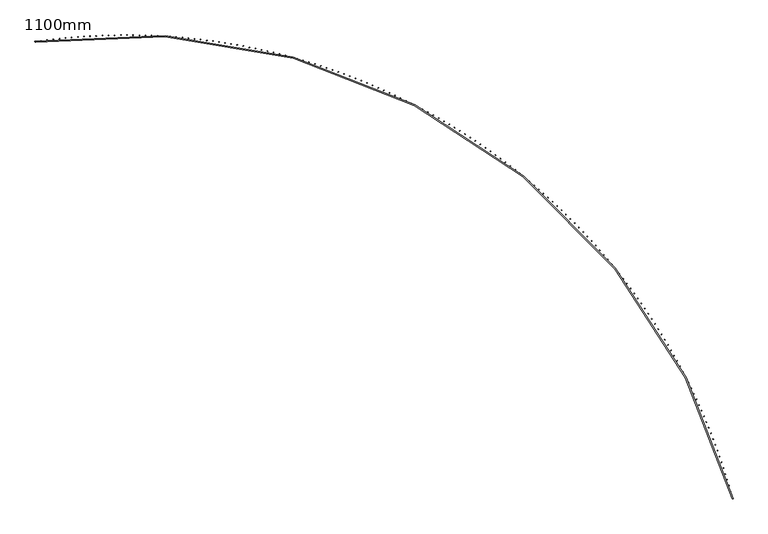
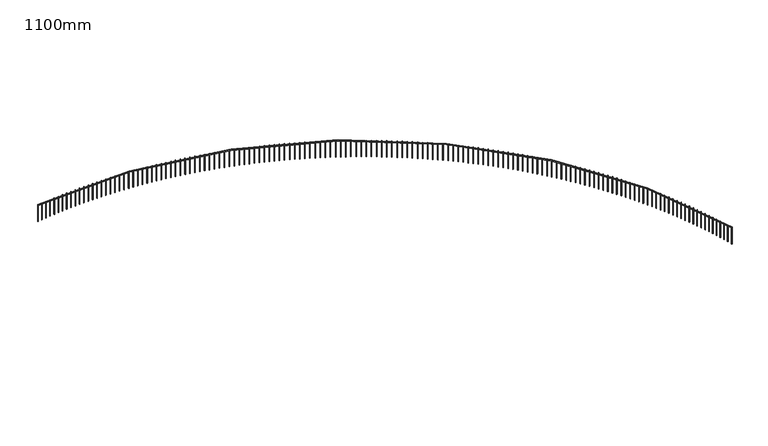
"""IFC4 building model written with IfcOpenShell, lengths in millimetres: railing geometry, 1100mm."""

from ifc_helpers import new_model, si_unit, point, frame, frame_2d, origin, place, context, project, spatial, polyline, circle_curve, trimmed, segment, composite_curve, outline, extrude, source, transform, mapped, element, save


def railing_1100mm_aeec63ec(model_context):
    return source(origin(), model_context, "Body", "SweptSolid", [
        extrude(outline(composite_curve([segment(trimmed(circle_curve(frame_2d((-8794.2031957, -54023.2815566)), 28027.8933111), [point((18263.3200525, -46712.1093436))], [point((-12873.1716323, -26293.787873))], True, "CARTESIAN"), True, "CONTINUOUS"), segment(polyline([(-12873.1716323, -26293.787873), (-12880.4482557, -26244.3201992)]), True, "CONTINUOUS"), segment(trimmed(circle_curve(frame_2d((-8794.2031957, -54023.2815566)), 28077.8933111), [point((-12880.4482557, -26244.3201992))], [point((18311.5889733, -46699.0666719))], False, "CARTESIAN"), True, "CONTINUOUS"), segment(polyline([(18311.5889733, -46699.0666719), (18263.3200525, -46712.1093436)]), True, "CONTINUOUS")], self_intersect=False)), frame((0.0, 0.0, 32050.0), z_axis=(0.0, 0.0, 1.0), x_axis=(1.0, 0.0, 0.0)), (0.0, 0.0, 1.0), 50.0),
        extrude(outline(polyline([(18256.6030696, -46639.6717561), (18280.7237123, -46633.0994967), (18287.2959717, -46657.2201395), (18263.1753289, -46663.7923988), (18256.6030696, -46639.6717561)])), frame((0.0, 0.0, 31000.0), z_axis=(0.0, 0.0, 1.0), x_axis=(1.0, 0.0, 0.0)), (0.0, 0.0, 1.0), 1050.0),
        extrude(outline(polyline([(18182.9236225, -46374.8541414), (18206.97868, -46368.0457491), (18213.7870723, -46392.1008067), (18189.7320147, -46398.909199), (18182.9236225, -46374.8541414)])), frame((0.0, 0.0, 31000.0), z_axis=(0.0, 0.0, 1.0), x_axis=(1.0, 0.0, 0.0)), (0.0, 0.0, 1.0), 1050.0),
        extrude(outline(polyline([(18106.6517737, -46110.7715122), (18130.6389345, -46103.7276413), (18137.6828054, -46127.7148021), (18113.6956447, -46134.758673), (18106.6517737, -46110.7715122)])), frame((0.0, 0.0, 31000.0), z_axis=(0.0, 0.0, 1.0), x_axis=(1.0, 0.0, 0.0)), (0.0, 0.0, 1.0), 1050.0),
        extrude(outline(polyline([(18027.7948528, -45847.4492458), (18051.7118117, -45840.1705731), (18058.9904844, -45864.087532), (18035.0735255, -45871.3662047), (18027.7948528, -45847.4492458)])), frame((0.0, 0.0, 31000.0), z_axis=(0.0, 0.0, 1.0), x_axis=(1.0, 0.0, 0.0)), (0.0, 0.0, 1.0), 1050.0),
        extrude(outline(polyline([(17946.3604376, -45584.9126465), (17970.2048963, -45577.3998715), (17977.7176713, -45601.2443302), (17953.8732126, -45608.7571052), (17946.3604376, -45584.9126465)])), frame((0.0, 0.0, 31000.0), z_axis=(0.0, 0.0, 1.0), x_axis=(1.0, 0.0, 0.0)), (0.0, 0.0, 1.0), 1050.0),
        extrude(outline(polyline([(17862.3563536, -45323.1869431), (17886.1260207, -45315.4407877), (17893.8721762, -45339.2104549), (17870.102509, -45346.9566103), (17862.3563536, -45323.1869431)])), frame((0.0, 0.0, 31000.0), z_axis=(0.0, 0.0, 1.0), x_axis=(1.0, 0.0, 0.0)), (0.0, 0.0, 1.0), 1050.0),
        extrude(outline(polyline([(17775.7906733, -45062.2972865), (17799.4832647, -45054.3184951), (17807.4620561, -45078.0110865), (17783.7694647, -45085.9898779), (17775.7906733, -45062.2972865)])), frame((0.0, 0.0, 31000.0), z_axis=(0.0, 0.0, 1.0), x_axis=(1.0, 0.0, 0.0)), (0.0, 0.0, 1.0), 1050.0),
        extrude(outline(polyline([(17686.6717154, -44802.2687471), (17710.2849543, -44794.0580864), (17718.4956149, -44817.6713253), (17694.882376, -44825.881986), (17686.6717154, -44802.2687471)])), frame((0.0, 0.0, 31000.0), z_axis=(0.0, 0.0, 1.0), x_axis=(1.0, 0.0, 0.0)), (0.0, 0.0, 1.0), 1050.0),
        extrude(outline(polyline([(17595.0080438, -44543.1263128), (17618.539661, -44534.6845719), (17626.9814019, -44558.2161891), (17603.4497847, -44566.65793), (17595.0080438, -44543.1263128)])), frame((0.0, 0.0, 31000.0), z_axis=(0.0, 0.0, 1.0), x_axis=(1.0, 0.0, 0.0)), (0.0, 0.0, 1.0), 1050.0),
        extrude(outline(polyline([(17500.8084671, -44284.8948862), (17524.2562014, -44276.2228762), (17532.9282113, -44299.6706105), (17509.480477, -44308.3426205), (17500.8084671, -44284.8948862)])), frame((0.0, 0.0, 31000.0), z_axis=(0.0, 0.0, 1.0), x_axis=(1.0, 0.0, 0.0)), (0.0, 0.0, 1.0), 1050.0),
        extrude(outline(polyline([(17404.0820375, -44027.5992823), (17427.4436356, -44018.6978367), (17436.3450812, -44042.0594347), (17412.9834831, -44050.9608804), (17404.0820375, -44027.5992823)])), frame((0.0, 0.0, 31000.0), z_axis=(0.0, 0.0, 1.0), x_axis=(1.0, 0.0, 0.0)), (0.0, 0.0, 1.0), 1050.0),
        extrude(outline(polyline([(17304.8380501, -43771.2642263), (17328.111267, -43762.1342004), (17337.2412929, -43785.4074173), (17313.968076, -43794.5374433), (17304.8380501, -43771.2642263)])), frame((0.0, 0.0, 31000.0), z_axis=(0.0, 0.0, 1.0), x_axis=(1.0, 0.0, 0.0)), (0.0, 0.0, 1.0), 1050.0),
        extrude(outline(polyline([(17203.0860418, -43515.9143511), (17226.2686411, -43506.5566223), (17235.62637, -43529.7392216), (17212.4437706, -43539.0969505), (17203.0860418, -43515.9143511)])), frame((0.0, 0.0, 31000.0), z_axis=(0.0, 0.0, 1.0), x_axis=(1.0, 0.0, 0.0)), (0.0, 0.0, 1.0), 1050.0),
        extrude(outline(polyline([(17098.8357907, -43261.5741949), (17121.9255446, -43251.9896623), (17131.5100771, -43275.0794163), (17108.4203232, -43284.6639488), (17098.8357907, -43261.5741949)])), frame((0.0, 0.0, 31000.0), z_axis=(0.0, 0.0, 1.0), x_axis=(1.0, 0.0, 0.0)), (0.0, 0.0, 1.0), 1050.0),
        extrude(outline(polyline([(16992.0973147, -43008.2681987), (17015.0920044, -42998.4577835), (17024.9024196, -43021.4524732), (17001.9077299, -43031.2628884), (16992.0973147, -43008.2681987)])), frame((0.0, 0.0, 31000.0), z_axis=(0.0, 0.0, 1.0), x_axis=(1.0, 0.0, 0.0)), (0.0, 0.0, 1.0), 1050.0),
        extrude(outline(polyline([(16882.8808711, -42756.0207043), (16905.7782869, -42745.9853493), (16915.813642, -42768.882765), (16892.9162262, -42778.9181201), (16882.8808711, -42756.0207043)])), frame((0.0, 0.0, 31000.0), z_axis=(0.0, 0.0, 1.0), x_axis=(1.0, 0.0, 0.0)), (0.0, 0.0, 1.0), 1050.0),
        extrude(outline(polyline([(16771.1969552, -42504.8559519), (16793.9948967, -42494.5966213), (16804.2542273, -42517.3945627), (16781.4562858, -42527.6538934), (16771.1969552, -42504.8559519)])), frame((0.0, 0.0, 31000.0), z_axis=(0.0, 0.0, 1.0), x_axis=(1.0, 0.0, 0.0)), (0.0, 0.0, 1.0), 1050.0),
        extrude(outline(polyline([(16657.0562994, -42254.7980773), (16679.7525758, -42244.315757), (16690.234896, -42267.0120334), (16667.5386197, -42277.4943537), (16657.0562994, -42254.7980773)])), frame((0.0, 0.0, 31000.0), z_axis=(0.0, 0.0, 1.0), x_axis=(1.0, 0.0, 0.0)), (0.0, 0.0, 1.0), 1050.0),
        extrude(outline(polyline([(16540.4698721, -42005.8711103), (16563.0623024, -41995.1668076), (16573.766605, -42017.7592379), (16551.1741747, -42028.4635405), (16540.4698721, -42005.8711103)])), frame((0.0, 0.0, 31000.0), z_axis=(0.0, 0.0, 1.0), x_axis=(1.0, 0.0, 0.0)), (0.0, 0.0, 1.0), 1050.0),
        extrude(outline(polyline([(16421.4488769, -41758.0989717), (16443.93529, -41747.1737154), (16454.8605463, -41769.6601285), (16432.3741332, -41780.5853848), (16421.4488769, -41758.0989717)])), frame((0.0, 0.0, 31000.0), z_axis=(0.0, 0.0, 1.0), x_axis=(1.0, 0.0, 0.0)), (0.0, 0.0, 1.0), 1050.0),
        extrude(outline(polyline([(16300.0047513, -41511.5054716), (16322.3829864, -41500.3603114), (16333.5281465, -41522.7385465), (16311.1499114, -41533.8837067), (16300.0047513, -41511.5054716)])), frame((0.0, 0.0, 31000.0), z_axis=(0.0, 0.0, 1.0), x_axis=(1.0, 0.0, 0.0)), (0.0, 0.0, 1.0), 1050.0),
        extrude(outline(polyline([(16176.1491655, -41266.1143066), (16198.4170721, -41254.7503137), (16209.7810651, -41277.0182203), (16187.5131585, -41288.3822132), (16176.1491655, -41266.1143066)])), frame((0.0, 0.0, 31000.0), z_axis=(0.0, 0.0, 1.0), x_axis=(1.0, 0.0, 0.0)), (0.0, 0.0, 1.0), 1050.0),
        extrude(outline(polyline([(16049.8940217, -41021.949058), (16072.04946, -41010.3673243), (16083.6311937, -41032.5227625), (16061.4757555, -41044.1044963), (16049.8940217, -41021.949058)])), frame((0.0, 0.0, 31000.0), z_axis=(0.0, 0.0, 1.0), x_axis=(1.0, 0.0, 0.0)), (0.0, 0.0, 1.0), 1050.0),
        extrude(outline(polyline([(15921.2514526, -40779.0331892), (15943.2922934, -40767.2348276), (15955.090655, -40789.2756684), (15933.0498141, -40801.07403), (15921.2514526, -40779.0331892)])), frame((0.0, 0.0, 31000.0), z_axis=(0.0, 0.0, 1.0), x_axis=(1.0, 0.0, 0.0)), (0.0, 0.0, 1.0), 1050.0),
        extrude(outline(polyline([(15790.23382, -40537.3900434), (15812.1579454, -40525.3761878), (15824.171801, -40547.3003131), (15802.2476756, -40559.3141687), (15790.23382, -40537.3900434)])), frame((0.0, 0.0, 31000.0), z_axis=(0.0, 0.0, 1.0), x_axis=(1.0, 0.0, 0.0)), (0.0, 0.0, 1.0), 1050.0),
        extrude(outline(polyline([(15656.8537145, -40297.0428416), (15678.6590176, -40284.8146464), (15690.8872128, -40306.6199495), (15669.0819097, -40318.8481447), (15656.8537145, -40297.0428416)])), frame((0.0, 0.0, 31000.0), z_axis=(0.0, 0.0, 1.0), x_axis=(1.0, 0.0, 0.0)), (0.0, 0.0, 1.0), 1050.0),
        extrude(outline(polyline([(15521.1239533, -40058.0146803), (15542.8083387, -40045.5733207), (15555.2496983, -40067.2577061), (15533.5653129, -40079.6990658), (15521.1239533, -40058.0146803)])), frame((0.0, 0.0, 31000.0), z_axis=(0.0, 0.0, 1.0), x_axis=(1.0, 0.0, 0.0)), (0.0, 0.0, 1.0), 1050.0),
        extrude(outline(polyline([(15383.0575795, -39820.3285293), (15404.6189635, -39807.6752008), (15417.272292, -39829.2365847), (15395.710908, -39841.8899133), (15383.0575795, -39820.3285293)])), frame((0.0, 0.0, 31000.0), z_axis=(0.0, 0.0, 1.0), x_axis=(1.0, 0.0, 0.0)), (0.0, 0.0, 1.0), 1050.0),
        extrude(outline(polyline([(15242.6678609, -39584.0072293), (15264.1041713, -39571.1431478), (15276.9682528, -39592.5794583), (15255.5319423, -39605.4435398), (15242.6678609, -39584.0072293)])), frame((0.0, 0.0, 31000.0), z_axis=(0.0, 0.0, 1.0), x_axis=(1.0, 0.0, 0.0)), (0.0, 0.0, 1.0), 1050.0),
        extrude(outline(polyline([(15099.9682882, -39349.0734899), (15121.2774653, -39335.9998916), (15134.3510636, -39357.3090687), (15113.0418865, -39370.382667), (15099.9682882, -39349.0734899)])), frame((0.0, 0.0, 31000.0), z_axis=(0.0, 0.0, 1.0), x_axis=(1.0, 0.0, 0.0)), (0.0, 0.0, 1.0), 1050.0),
        extrude(outline(polyline([(14954.9725745, -39115.5498873), (14976.1525705, -39102.2680286), (14989.4344292, -39123.4480246), (14968.2544332, -39136.7298833), (14954.9725745, -39115.5498873)])), frame((0.0, 0.0, 31000.0), z_axis=(0.0, 0.0, 1.0), x_axis=(1.0, 0.0, 0.0)), (0.0, 0.0, 1.0), 1050.0),
        extrude(outline(polyline([(14807.6946533, -38883.4588623), (14828.7434328, -38869.9700195), (14842.2322756, -38891.0187991), (14821.1834961, -38904.5076419), (14807.6946533, -38883.4588623)])), frame((0.0, 0.0, 31000.0), z_axis=(0.0, 0.0, 1.0), x_axis=(1.0, 0.0, 0.0)), (0.0, 0.0, 1.0), 1050.0),
        extrude(outline(polyline([(14658.1486774, -38652.8227181), (14679.0642178, -38639.1281874), (14692.7587485, -38660.0437277), (14671.8432081, -38673.7382584), (14658.1486774, -38652.8227181)])), frame((0.0, 0.0, 31000.0), z_axis=(0.0, 0.0, 1.0), x_axis=(1.0, 0.0, 0.0)), (0.0, 0.0, 1.0), 1050.0),
        extrude(outline(polyline([(14506.3490177, -38423.6636177), (14527.129309, -38409.7647152), (14541.0282116, -38430.5450065), (14520.2479203, -38444.443909), (14506.3490177, -38423.6636177)])), frame((0.0, 0.0, 31000.0), z_axis=(0.0, 0.0, 1.0), x_axis=(1.0, 0.0, 0.0)), (0.0, 0.0, 1.0), 1050.0),
        extrude(outline(polyline([(14352.3102615, -38196.0035827), (14372.9533069, -38181.9016439), (14387.0552457, -38202.5446892), (14366.4122004, -38216.6466281), (14352.3102615, -38196.0035827)])), frame((0.0, 0.0, 31000.0), z_axis=(0.0, 0.0, 1.0), x_axis=(1.0, 0.0, 0.0)), (0.0, 0.0, 1.0), 1050.0),
        extrude(outline(polyline([(14196.0472114, -37969.8644903), (14216.5510271, -37955.5608703), (14230.854647, -37976.064686), (14210.3508314, -37990.3683059), (14196.0472114, -37969.8644903)])), frame((0.0, 0.0, 31000.0), z_axis=(0.0, 0.0, 1.0), x_axis=(1.0, 0.0, 0.0)), (0.0, 0.0, 1.0), 1050.0),
        extrude(outline(polyline([(14037.5748837, -37745.2680715), (14057.9374994, -37730.764145), (14072.4414259, -37751.1267606), (14052.0788103, -37765.6306872), (14037.5748837, -37745.2680715)])), frame((0.0, 0.0, 31000.0), z_axis=(0.0, 0.0, 1.0), x_axis=(1.0, 0.0, 0.0)), (0.0, 0.0, 1.0), 1050.0),
        extrude(outline(polyline([(13876.908507, -37522.2359094), (13897.1279659, -37507.5330701), (13911.8308052, -37527.7525289), (13891.6113464, -37542.4553682), (13876.908507, -37522.2359094)])), frame((0.0, 0.0, 31000.0), z_axis=(0.0, 0.0, 1.0), x_axis=(1.0, 0.0, 0.0)), (0.0, 0.0, 1.0), 1050.0),
        extrude(outline(polyline([(13714.0635208, -37300.7894364), (13734.1378798, -37285.8890972), (13749.038219, -37305.9634562), (13728.96386, -37320.8637954), (13714.0635208, -37300.7894364)])), frame((0.0, 0.0, 31000.0), z_axis=(0.0, 0.0, 1.0), x_axis=(1.0, 0.0, 0.0)), (0.0, 0.0, 1.0), 1050.0),
        extrude(outline(polyline([(13549.0555737, -37080.9499328), (13568.9829038, -37065.8535255), (13584.0793112, -37085.7808556), (13564.151981, -37100.8772629), (13549.0555737, -37080.9499328)])), frame((0.0, 0.0, 31000.0), z_axis=(0.0, 0.0, 1.0), x_axis=(1.0, 0.0, 0.0)), (0.0, 0.0, 1.0), 1050.0),
        extrude(outline(polyline([(13381.9005225, -36862.7385242), (13401.6789088, -36847.4474996), (13416.9699335, -36867.2258859), (13397.1915472, -36882.5169105), (13381.9005225, -36862.7385242)])), frame((0.0, 0.0, 31000.0), z_axis=(0.0, 0.0, 1.0), x_axis=(1.0, 0.0, 0.0)), (0.0, 0.0, 1.0), 1050.0),
        extrude(outline(polyline([(13212.6144302, -36646.1761801), (13232.2419721, -36630.6920075), (13247.7261447, -36650.3195493), (13228.0986029, -36665.8037219), (13212.6144302, -36646.1761801)])), frame((0.0, 0.0, 31000.0), z_axis=(0.0, 0.0, 1.0), x_axis=(1.0, 0.0, 0.0)), (0.0, 0.0, 1.0), 1050.0),
        extrude(outline(polyline([(13041.2135646, -36431.2837112), (13060.6883758, -36415.6078786), (13076.3642084, -36435.0826898), (13056.8893971, -36450.7585224), (13041.2135646, -36431.2837112)])), frame((0.0, 0.0, 31000.0), z_axis=(0.0, 0.0, 1.0), x_axis=(1.0, 0.0, 0.0)), (0.0, 0.0, 1.0), 1050.0),
        extrude(outline(polyline([(12867.7143965, -36218.0817679), (12887.0346057, -36202.2157817), (12902.9005918, -36221.5359909), (12883.5803827, -36237.4019771), (12867.7143965, -36218.0817679)])), frame((0.0, 0.0, 31000.0), z_axis=(0.0, 0.0, 1.0), x_axis=(1.0, 0.0, 0.0)), (0.0, 0.0, 1.0), 1050.0),
        extrude(outline(polyline([(12692.1335987, -36006.5908381), (12711.2973492, -35990.536223), (12727.3519643, -36009.6999735), (12708.1882137, -36025.7545886), (12692.1335987, -36006.5908381)])), frame((0.0, 0.0, 31000.0), z_axis=(0.0, 0.0, 1.0), x_axis=(1.0, 0.0, 0.0)), (0.0, 0.0, 1.0), 1050.0),
        extrude(outline(polyline([(12514.4880437, -35796.8312453), (12533.4934941, -35780.5895441), (12549.7351953, -35799.5949944), (12530.7297449, -35815.8366956), (12514.4880437, -35796.8312453)])), frame((0.0, 0.0, 31000.0), z_axis=(0.0, 0.0, 1.0), x_axis=(1.0, 0.0, 0.0)), (0.0, 0.0, 1.0), 1050.0),
        extrude(outline(polyline([(12334.7948028, -35588.8231466), (12353.6401265, -35572.3959201), (12370.0673531, -35591.2412438), (12351.2220293, -35607.6684704), (12334.7948028, -35588.8231466)])), frame((0.0, 0.0, 31000.0), z_axis=(0.0, 0.0, 1.0), x_axis=(1.0, 0.0, 0.0)), (0.0, 0.0, 1.0), 1050.0),
        extrude(outline(polyline([(12153.0711436, -35382.5865309), (12171.7545299, -35365.9753576), (12188.3657032, -35384.6587438), (12169.682317, -35401.2699171), (12153.0711436, -35382.5865309)])), frame((0.0, 0.0, 31000.0), z_axis=(0.0, 0.0, 1.0), x_axis=(1.0, 0.0, 0.0)), (0.0, 0.0, 1.0), 1050.0),
        extrude(outline(polyline([(11969.3345293, -35178.1412167), (11987.8541826, -35161.3476929), (12004.6477064, -35179.8673462), (11986.1280531, -35196.66087), (11969.3345293, -35178.1412167)])), frame((0.0, 0.0, 31000.0), z_axis=(0.0, 0.0, 1.0), x_axis=(1.0, 0.0, 0.0)), (0.0, 0.0, 1.0), 1050.0),
        extrude(outline(polyline([(11783.6026162, -34975.5068504), (11801.9567569, -34958.5325899), (11818.9310174, -34976.8867306), (11800.5768767, -34993.8609911), (11783.6026162, -34975.5068504)])), frame((0.0, 0.0, 31000.0), z_axis=(0.0, 0.0, 1.0), x_axis=(1.0, 0.0, 0.0)), (0.0, 0.0, 1.0), 1050.0),
        extrude(outline(polyline([(11595.8932524, -34774.7029045), (11614.0801167, -34757.5495385), (11631.2334827, -34775.7364028), (11613.0466184, -34792.8897688), (11595.8932524, -34774.7029045)])), frame((0.0, 0.0, 31000.0), z_axis=(0.0, 0.0, 1.0), x_axis=(1.0, 0.0, 0.0)), (0.0, 0.0, 1.0), 1050.0),
        extrude(outline(polyline([(11406.2244761, -34575.7486755), (11424.2423164, -34558.4178522), (11441.5731396, -34576.4356925), (11423.5552993, -34593.7665157), (11406.2244761, -34575.7486755)])), frame((0.0, 0.0, 31000.0), z_axis=(0.0, 0.0, 1.0), x_axis=(1.0, 0.0, 0.0)), (0.0, 0.0, 1.0), 1050.0),
        extrude(outline(polyline([(11214.6145138, -34378.663282), (11232.4615986, -34361.1566671), (11249.9682135, -34379.0037518), (11232.1211288, -34396.5103667), (11214.6145138, -34378.663282)])), frame((0.0, 0.0, 31000.0), z_axis=(0.0, 0.0, 1.0), x_axis=(1.0, 0.0, 0.0)), (0.0, 0.0, 1.0), 1050.0),
        extrude(outline(polyline([(11021.0817786, -34183.4656634), (11038.7563927, -34165.784939), (11056.4371171, -34183.4595532), (11038.7625029, -34201.1402776), (11021.0817786, -34183.4656634)])), frame((0.0, 0.0, 31000.0), z_axis=(0.0, 0.0, 1.0), x_axis=(1.0, 0.0, 0.0)), (0.0, 0.0, 1.0), 1050.0),
        extrude(outline(polyline([(10825.644868, -33990.1745773), (10843.1453132, -33972.3214426), (10860.9984479, -33989.8218878), (10843.4980027, -34007.6750225), (10825.644868, -33990.1745773)])), frame((0.0, 0.0, 31000.0), z_axis=(0.0, 0.0, 1.0), x_axis=(1.0, 0.0, 0.0)), (0.0, 0.0, 1.0), 1050.0),
        extrude(outline(polyline([(10628.322563, -33798.8085983), (10645.6471575, -33780.7847689), (10663.6709869, -33798.1093633), (10646.3463925, -33816.1331928), (10628.322563, -33798.8085983)])), frame((0.0, 0.0, 31000.0), z_axis=(0.0, 0.0, 1.0), x_axis=(1.0, 0.0, 0.0)), (0.0, 0.0, 1.0), 1050.0),
        extrude(outline(polyline([(10429.1338255, -33609.3861161), (10446.2809044, -33591.1933239), (10464.4736965, -33608.3404028), (10447.3266177, -33626.5331949), (10429.1338255, -33609.3861161)])), frame((0.0, 0.0, 31000.0), z_axis=(0.0, 0.0, 1.0), x_axis=(1.0, 0.0, 0.0)), (0.0, 0.0, 1.0), 1050.0),
        extrude(outline(polyline([(10228.0977967, -33421.9253333), (10245.0657123, -33403.5653266), (10263.4257189, -33420.5332422), (10246.4578034, -33438.8932488), (10228.0977967, -33421.9253333)])), frame((0.0, 0.0, 31000.0), z_axis=(0.0, 0.0, 1.0), x_axis=(1.0, 0.0, 0.0)), (0.0, 0.0, 1.0), 1050.0),
        extrude(outline(polyline([(10025.2337956, -33236.4442642), (10042.0209172, -33217.9188075), (10060.5463739, -33234.7059291), (10043.7592523, -33253.2313858), (10025.2337956, -33236.4442642)])), frame((0.0, 0.0, 31000.0), z_axis=(0.0, 0.0, 1.0), x_axis=(1.0, 0.0, 0.0)), (0.0, 0.0, 1.0), 1050.0),
        extrude(outline(polyline([(9820.5613164, -33052.960733), (9837.166031, -33034.2716063), (9855.8551576, -33050.8763209), (9839.2504431, -33069.5654475), (9820.5613164, -33052.960733)])), frame((0.0, 0.0, 31000.0), z_axis=(0.0, 0.0, 1.0), x_axis=(1.0, 0.0, 0.0)), (0.0, 0.0, 1.0), 1050.0),
        extrude(outline(polyline([(9614.1000276, -32871.4923716), (9630.5207394, -32852.641371), (9649.37174, -32869.0620829), (9632.9510282, -32887.9130834), (9614.1000276, -32871.4923716)])), frame((0.0, 0.0, 31000.0), z_axis=(0.0, 0.0, 1.0), x_axis=(1.0, 0.0, 0.0)), (0.0, 0.0, 1.0), 1050.0),
        extrude(outline(polyline([(9405.8697693, -32692.0566186), (9422.1049004, -32673.0455556), (9441.1159634, -32689.2806867), (9424.8808323, -32708.2917497), (9405.8697693, -32692.0566186)])), frame((0.0, 0.0, 31000.0), z_axis=(0.0, 0.0, 1.0), x_axis=(1.0, 0.0, 0.0)), (0.0, 0.0, 1.0), 1050.0),
        extrude(outline(polyline([(9195.8905516, -32514.670717), (9211.9385419, -32495.5014184), (9231.1078405, -32511.5494087), (9215.0598502, -32530.7187073), (9195.8905516, -32514.670717)])), frame((0.0, 0.0, 31000.0), z_axis=(0.0, 0.0, 1.0), x_axis=(1.0, 0.0, 0.0)), (0.0, 0.0, 1.0), 1050.0),
        extrude(outline(polyline([(8984.1825528, -32339.3517129), (9000.0418601, -32320.0260209), (9019.3675521, -32335.8853282), (9003.5082448, -32355.2110202), (8984.1825528, -32339.3517129)])), frame((0.0, 0.0, 31000.0), z_axis=(0.0, 0.0, 1.0), x_axis=(1.0, 0.0, 0.0)), (0.0, 0.0, 1.0), 1050.0),
        extrude(outline(polyline([(8770.7661172, -32166.1164539), (8786.4352175, -32146.6362256), (8805.9154458, -32162.3053259), (8790.2463455, -32181.7855542), (8770.7661172, -32166.1164539)])), frame((0.0, 0.0, 31000.0), z_axis=(0.0, 0.0, 1.0), x_axis=(1.0, 0.0, 0.0)), (0.0, 0.0, 1.0), 1050.0),
        extrude(outline(polyline([(8555.6617533, -31994.9815872), (8571.1391408, -31975.3486946), (8590.7720335, -31990.8260822), (8575.2946459, -32010.4589748), (8555.6617533, -31994.9815872)])), frame((0.0, 0.0, 31000.0), z_axis=(0.0, 0.0, 1.0), x_axis=(1.0, 0.0, 0.0)), (0.0, 0.0, 1.0), 1050.0),
        extrude(outline(polyline([(8338.8901319, -31825.9635583), (8354.1743194, -31806.179888), (8373.9579897, -31821.4640755), (8358.6738022, -31841.2477458), (8338.8901319, -31825.9635583)])), frame((0.0, 0.0, 31000.0), z_axis=(0.0, 0.0, 1.0), x_axis=(1.0, 0.0, 0.0)), (0.0, 0.0, 1.0), 1050.0),
        extrude(outline(polyline([(8120.4720839, -31659.0786091), (8135.5616026, -31639.1460622), (8155.4941494, -31654.2355809), (8140.4046308, -31674.1681278), (8120.4720839, -31659.0786091)])), frame((0.0, 0.0, 31000.0), z_axis=(0.0, 0.0, 1.0), x_axis=(1.0, 0.0, 0.0)), (0.0, 0.0, 1.0), 1050.0),
        extrude(outline(polyline([(7900.4285984, -31494.3427768), (7915.3219983, -31474.2632687), (7935.4015063, -31489.1566686), (7920.5081064, -31509.2361766), (7900.4285984, -31494.3427768)])), frame((0.0, 0.0, 31000.0), z_axis=(0.0, 0.0, 1.0), x_axis=(1.0, 0.0, 0.0)), (0.0, 0.0, 1.0), 1050.0),
        extrude(outline(polyline([(7678.780821, -31331.7718916), (7693.4766707, -31311.5473521), (7713.7012103, -31326.2432018), (7699.0053605, -31346.4677414), (7678.780821, -31331.7718916)])), frame((0.0, 0.0, 31000.0), z_axis=(0.0, 0.0, 1.0), x_axis=(1.0, 0.0, 0.0)), (0.0, 0.0, 1.0), 1050.0),
        extrude(outline(polyline([(7455.5500509, -31171.3815763), (7470.0469384, -31151.0139487), (7490.414566, -31165.5108361), (7475.9176785, -31185.8784637), (7455.5500509, -31171.3815763)])), frame((0.0, 0.0, 31000.0), z_axis=(0.0, 0.0, 1.0), x_axis=(1.0, 0.0, 0.0)), (0.0, 0.0, 1.0), 1050.0),
        extrude(outline(polyline([(7230.75774, -31013.1872435), (7245.0542721, -30992.6784852), (7265.5630305, -31006.9750172), (7251.2664984, -31027.4837756), (7230.75774, -31013.1872435)])), frame((0.0, 0.0, 31000.0), z_axis=(0.0, 0.0, 1.0), x_axis=(1.0, 0.0, 0.0)), (0.0, 0.0, 1.0), 1050.0),
        extrude(outline(polyline([(7004.4254899, -30857.2040953), (7018.5202928, -30836.556177), (7039.1682112, -30850.6509799), (7025.0734083, -30871.2988982), (7004.4254899, -30857.2040953)])), frame((0.0, 0.0, 31000.0), z_axis=(0.0, 0.0, 1.0), x_axis=(1.0, 0.0, 0.0)), (0.0, 0.0, 1.0), 1050.0),
        extrude(outline(polyline([(6776.5750504, -30703.4471211), (6790.4667695, -30682.6620269), (6811.2518637, -30696.5537461), (6797.3601445, -30717.3388403), (6776.5750504, -30703.4471211)])), frame((0.0, 0.0, 31000.0), z_axis=(0.0, 0.0, 1.0), x_axis=(1.0, 0.0, 0.0)), (0.0, 0.0, 1.0), 1050.0),
        extrude(outline(polyline([(6547.2283169, -30551.9310962), (6560.9156174, -30531.0108237), (6581.83589, -30544.6981243), (6568.1485894, -30565.6183968), (6547.2283169, -30551.9310962)])), frame((0.0, 0.0, 31000.0), z_axis=(0.0, 0.0, 1.0), x_axis=(1.0, 0.0, 0.0)), (0.0, 0.0, 1.0), 1050.0),
        extrude(outline(polyline([(6316.4073288, -30402.6705809), (6329.8888955, -30381.6171403), (6350.9423361, -30395.098707), (6337.4607694, -30416.1521476), (6316.4073288, -30402.6705809)])), frame((0.0, 0.0, 31000.0), z_axis=(0.0, 0.0, 1.0), x_axis=(1.0, 0.0, 0.0)), (0.0, 0.0, 1.0), 1050.0),
        extrude(outline(polyline([(6084.1342673, -30255.6799185), (6097.4088045, -30234.495333), (6118.59339, -30247.7698702), (6105.3188528, -30268.9544557), (6084.1342673, -30255.6799185)])), frame((0.0, 0.0, 31000.0), z_axis=(0.0, 0.0, 1.0), x_axis=(1.0, 0.0, 0.0)), (0.0, 0.0, 1.0), 1050.0),
        extrude(outline(polyline([(5850.4314528, -30110.9732343), (5863.4976849, -30089.6595397), (5884.8113795, -30102.7257718), (5871.7451474, -30124.0394664), (5850.4314528, -30110.9732343)])), frame((0.0, 0.0, 31000.0), z_axis=(0.0, 0.0, 1.0), x_axis=(1.0, 0.0, 0.0)), (0.0, 0.0, 1.0), 1050.0),
        extrude(outline(polyline([(5615.3213434, -29968.564434), (5628.1780148, -29947.1236785), (5649.6187704, -29959.9803499), (5636.762099, -29981.4211055), (5615.3213434, -29968.564434)])), frame((0.0, 0.0, 31000.0), z_axis=(0.0, 0.0, 1.0), x_axis=(1.0, 0.0, 0.0)), (0.0, 0.0, 1.0), 1050.0),
        extrude(outline(polyline([(5378.8265322, -29828.4672027), (5391.4724074, -29806.9014465), (5413.0381636, -29819.5473217), (5400.3922884, -29841.1130779), (5378.8265322, -29828.4672027)])), frame((0.0, 0.0, 31000.0), z_axis=(0.0, 0.0, 1.0), x_axis=(1.0, 0.0, 0.0)), (0.0, 0.0, 1.0), 1050.0),
        extrude(outline(polyline([(5140.9697455, -29690.695003), (5153.4036094, -29669.0063187), (5175.0922937, -29681.4401825), (5162.6584299, -29703.1288669), (5140.9697455, -29690.695003)])), frame((0.0, 0.0, 31000.0), z_axis=(0.0, 0.0, 1.0), x_axis=(1.0, 0.0, 0.0)), (0.0, 0.0, 1.0), 1050.0),
        extrude(outline(polyline([(4901.7738405, -29555.2610745), (4913.9944981, -29533.4515462), (4935.8040265, -29545.6722037), (4923.5833689, -29567.4817321), (4901.7738405, -29555.2610745)])), frame((0.0, 0.0, 31000.0), z_axis=(0.0, 0.0, 1.0), x_axis=(1.0, 0.0, 0.0)), (0.0, 0.0, 1.0), 1050.0),
        extrude(outline(polyline([(4661.2618031, -29422.1784318), (4673.2680801, -29400.2501553), (4695.1963566, -29412.2564322), (4683.1900797, -29434.1847088), (4661.2618031, -29422.1784318)])), frame((0.0, 0.0, 31000.0), z_axis=(0.0, 0.0, 1.0), x_axis=(1.0, 0.0, 0.0)), (0.0, 0.0, 1.0), 1050.0),
        extrude(outline(polyline([(4419.4567454, -29291.4598637), (4431.247488, -29269.4149462), (4453.2924056, -29281.2056888), (4441.501663, -29303.2506063), (4419.4567454, -29291.4598637)])), frame((0.0, 0.0, 31000.0), z_axis=(0.0, 0.0, 1.0), x_axis=(1.0, 0.0, 0.0)), (0.0, 0.0, 1.0), 1050.0),
        extrude(outline(polyline([(4176.3819042, -29163.1179317), (4187.9559794, -29140.9584917), (4210.1154194, -29152.5325669), (4198.5413443, -29174.6920069), (4176.3819042, -29163.1179317)])), frame((0.0, 0.0, 31000.0), z_axis=(0.0, 0.0, 1.0), x_axis=(1.0, 0.0, 0.0)), (0.0, 0.0, 1.0), 1050.0),
        extrude(outline(polyline([(3932.0606379, -29037.1649691), (3943.4169335, -29014.8931359), (3965.6887666, -29026.2494315), (3954.3324711, -29048.5212646), (3932.0606379, -29037.1649691)])), frame((0.0, 0.0, 31000.0), z_axis=(0.0, 0.0, 1.0), x_axis=(1.0, 0.0, 0.0)), (0.0, 0.0, 1.0), 1050.0),
        extrude(outline(polyline([(3686.516425, -28913.6130794), (3697.6538496, -28891.2309934), (3720.0359356, -28902.368418), (3708.898511, -28924.750504), (3686.516425, -28913.6130794)])), frame((0.0, 0.0, 31000.0), z_axis=(0.0, 0.0, 1.0), x_axis=(1.0, 0.0, 0.0)), (0.0, 0.0, 1.0), 1050.0),
        extrude(outline(polyline([(3439.7728613, -28792.4741354), (3450.6903448, -28769.9839474), (3473.1805327, -28780.9014309), (3462.2630493, -28803.3916188), (3439.7728613, -28792.4741354)])), frame((0.0, 0.0, 31000.0), z_axis=(0.0, 0.0, 1.0), x_axis=(1.0, 0.0, 0.0)), (0.0, 0.0, 1.0), 1050.0),
        extrude(outline(polyline([(3191.853658, -28673.7597783), (3202.5501511, -28651.1636495), (3225.1462799, -28661.8601426), (3214.4497868, -28684.4562714), (3191.853658, -28673.7597783)])), frame((0.0, 0.0, 31000.0), z_axis=(0.0, 0.0, 1.0), x_axis=(1.0, 0.0, 0.0)), (0.0, 0.0, 1.0), 1050.0),
        extrude(outline(polyline([(2942.7826392, -28557.481416), (2953.2571141, -28534.7815179), (2975.9570122, -28545.2559927), (2965.4825374, -28567.9558909), (2942.7826392, -28557.481416)])), frame((0.0, 0.0, 31000.0), z_axis=(0.0, 0.0, 1.0), x_axis=(1.0, 0.0, 0.0)), (0.0, 0.0, 1.0), 1050.0),
        extrude(outline(polyline([(2692.5837397, -28443.6502225), (2702.8351898, -28420.8487363), (2725.6366759, -28431.1001864), (2715.3852259, -28453.9016726), (2692.5837397, -28443.6502225)])), frame((0.0, 0.0, 31000.0), z_axis=(0.0, 0.0, 1.0), x_axis=(1.0, 0.0, 0.0)), (0.0, 0.0, 1.0), 1050.0),
        extrude(outline(polyline([(2441.2810026, -28332.2771364), (2451.3084428, -28309.3762534), (2474.2093258, -28319.4036936), (2464.1818857, -28342.3045766), (2441.2810026, -28332.2771364)])), frame((0.0, 0.0, 31000.0), z_axis=(0.0, 0.0, 1.0), x_axis=(1.0, 0.0, 0.0)), (0.0, 0.0, 1.0), 1050.0),
        extrude(outline(polyline([(2188.8985773, -28223.3728604), (2198.701044, -28200.3747812), (2221.6991232, -28210.1772478), (2211.8966565, -28233.1753271), (2188.8985773, -28223.3728604)])), frame((0.0, 0.0, 31000.0), z_axis=(0.0, 0.0, 1.0), x_axis=(1.0, 0.0, 0.0)), (0.0, 0.0, 1.0), 1050.0),
        extrude(outline(polyline([(1935.4607167, -28116.9478597), (1945.0372679, -28093.8547943), (1968.1303332, -28103.4313455), (1958.5537821, -28126.5244109), (1935.4607167, -28116.9478597)])), frame((0.0, 0.0, 31000.0), z_axis=(0.0, 0.0, 1.0), x_axis=(1.0, 0.0, 0.0)), (0.0, 0.0, 1.0), 1050.0),
        extrude(outline(polyline([(1680.9917753, -28013.0123614), (1690.3414907, -27989.826529), (1713.5273231, -27999.1762444), (1704.1776077, -28022.3620768), (1680.9917753, -28013.0123614)])), frame((0.0, 0.0, 31000.0), z_axis=(0.0, 0.0, 1.0), x_axis=(1.0, 0.0, 0.0)), (0.0, 0.0, 1.0), 1050.0),
        extrude(outline(polyline([(1425.5162066, -27911.5763533), (1434.6381878, -27888.299982), (1457.914559, -27897.4219632), (1448.7925779, -27920.6983344), (1425.5162066, -27911.5763533)])), frame((0.0, 0.0, 31000.0), z_axis=(0.0, 0.0, 1.0), x_axis=(1.0, 0.0, 0.0)), (0.0, 0.0, 1.0), 1050.0),
        extrude(outline(polyline([(1169.0585609, -27812.6495829), (1177.9519312, -27789.2849095), (1201.3166046, -27798.1782799), (1192.4232343, -27821.5429533), (1169.0585609, -27812.6495829)])), frame((0.0, 0.0, 31000.0), z_axis=(0.0, 0.0, 1.0), x_axis=(1.0, 0.0, 0.0)), (0.0, 0.0, 1.0), 1050.0),
        extrude(outline(polyline([(911.6434827, -27716.2415569), (920.3073876, -27692.7908266), (943.7581179, -27701.4547315), (935.094213, -27724.9054618), (911.6434827, -27716.2415569)])), frame((0.0, 0.0, 31000.0), z_axis=(0.0, 0.0, 1.0), x_axis=(1.0, 0.0, 0.0)), (0.0, 0.0, 1.0), 1050.0),
        extrude(outline(polyline([(653.2957087, -27622.3615397), (661.7293156, -27598.827006), (685.2638493, -27607.2606129), (676.8302424, -27630.7951466), (653.2957087, -27622.3615397)])), frame((0.0, 0.0, 31000.0), z_axis=(0.0, 0.0, 1.0), x_axis=(1.0, 0.0, 0.0)), (0.0, 0.0, 1.0), 1050.0),
        extrude(outline(polyline([(394.0400652, -27531.0185527), (402.2425637, -27507.4024773), (425.8586391, -27515.6049757), (417.6561407, -27539.2210512), (394.0400652, -27531.0185527)])), frame((0.0, 0.0, 31000.0), z_axis=(0.0, 0.0, 1.0), x_axis=(1.0, 0.0, 0.0)), (0.0, 0.0, 1.0), 1050.0),
        extrude(outline(polyline([(133.9014657, -27442.2213738), (141.8720675, -27418.526026), (165.5674153, -27426.4966277), (157.5968135, -27450.1919755), (133.9014657, -27442.2213738)])), frame((0.0, 0.0, 31000.0), z_axis=(0.0, 0.0, 1.0), x_axis=(1.0, 0.0, 0.0)), (0.0, 0.0, 1.0), 1050.0),
        extrude(outline(polyline([(-127.0950915, -27355.9785359), (-119.3571524, -27332.2061928), (-95.5848092, -27339.9441319), (-103.3227484, -27363.716475), (-127.0950915, -27355.9785359)])), frame((0.0, 0.0, 31000.0), z_axis=(0.0, 0.0, 1.0), x_axis=(1.0, 0.0, 0.0)), (0.0, 0.0, 1.0), 1050.0),
        extrude(outline(polyline([(-388.9245256, -27272.2983267), (-381.4199926, -27248.4512727), (-357.5729386, -27255.9558056), (-365.0774715, -27279.8028596), (-388.9245256, -27272.2983267)])), frame((0.0, 0.0, 31000.0), z_axis=(0.0, 0.0, 1.0), x_axis=(1.0, 0.0, 0.0)), (0.0, 0.0, 1.0), 1050.0),
        extrude(outline(polyline([(-651.5616757, -27191.1887876), (-644.2912701, -27167.2693143), (-620.3717968, -27174.5397199), (-627.6422024, -27198.4591932), (-651.5616757, -27191.1887876)])), frame((0.0, 0.0, 31000.0), z_axis=(0.0, 0.0, 1.0), x_axis=(1.0, 0.0, 0.0)), (0.0, 0.0, 1.0), 1050.0),
        extrude(outline(polyline([(-914.9813034, -27112.6577129), (-907.9457238, -27088.6681189), (-883.9561298, -27095.7036984), (-890.9917093, -27119.6932924), (-914.9813034, -27112.6577129)])), frame((0.0, 0.0, 31000.0), z_axis=(0.0, 0.0, 1.0), x_axis=(1.0, 0.0, 0.0)), (0.0, 0.0, 1.0), 1050.0),
        extrude(outline(polyline([(-1179.158095, -27036.712649), (-1172.3580176, -27012.6552396), (-1148.3006082, -27019.4553171), (-1155.1006856, -27043.5127265), (-1179.158095, -27036.712649)])), frame((0.0, 0.0, 31000.0), z_axis=(0.0, 0.0, 1.0), x_axis=(1.0, 0.0, 0.0)), (0.0, 0.0, 1.0), 1050.0),
        extrude(outline(polyline([(-1444.0666641, -26963.3608942), (-1437.5027423, -26939.2379812), (-1413.3798293, -26945.8019031), (-1419.9437512, -26969.924816), (-1444.0666641, -26963.3608942)])), frame((0.0, 0.0, 31000.0), z_axis=(0.0, 0.0, 1.0), x_axis=(1.0, 0.0, 0.0)), (0.0, 0.0, 1.0), 1050.0),
        extrude(outline(polyline([(-1709.6815541, -26892.6094971), (-1703.3544186, -26868.4233987), (-1679.1683202, -26874.7505342), (-1685.4954557, -26898.9366326), (-1709.6815541, -26892.6094971)])), frame((0.0, 0.0, 31000.0), z_axis=(0.0, 0.0, 1.0), x_axis=(1.0, 0.0, 0.0)), (0.0, 0.0, 1.0), 1050.0),
        extrude(outline(polyline([(-1975.9772402, -26824.4652568), (-1969.8874991, -26800.2182972), (-1945.6405395, -26806.3080383), (-1951.7302806, -26830.5549979), (-1975.9772402, -26824.4652568)])), frame((0.0, 0.0, 31000.0), z_axis=(0.0, 0.0, 1.0), x_axis=(1.0, 0.0, 0.0)), (0.0, 0.0, 1.0), 1050.0),
        extrude(outline(polyline([(-2242.9281326, -26758.9347217), (-2237.076371, -26734.6292308), (-2212.7708801, -26740.4809923), (-2218.6226417, -26764.7864832), (-2242.9281326, -26758.9347217)])), frame((0.0, 0.0, 31000.0), z_axis=(0.0, 0.0, 1.0), x_axis=(1.0, 0.0, 0.0)), (0.0, 0.0, 1.0), 1050.0),
        extrude(outline(polyline([(-2510.5085781, -26696.0241889), (-2504.8953584, -26671.6625025), (-2480.533672, -26677.2757221), (-2486.1468916, -26701.6374085), (-2510.5085781, -26696.0241889)])), frame((0.0, 0.0, 31000.0), z_axis=(0.0, 0.0, 1.0), x_axis=(1.0, 0.0, 0.0)), (0.0, 0.0, 1.0), 1050.0),
        extrude(outline(polyline([(-2778.6928633, -26635.739704), (-2773.3187249, -26611.3241631), (-2748.903184, -26616.6983014), (-2754.2773224, -26641.1138423), (-2778.6928633, -26635.739704)])), frame((0.0, 0.0, 31000.0), z_axis=(0.0, 0.0, 1.0), x_axis=(1.0, 0.0, 0.0)), (0.0, 0.0, 1.0), 1050.0),
        extrude(outline(polyline([(-3047.4552167, -26578.08706), (-3042.3206761, -26553.6200109), (-3017.8536269, -26558.7545515), (-3022.9881675, -26583.2216006), (-3047.4552167, -26578.08706)])), frame((0.0, 0.0, 31000.0), z_axis=(0.0, 0.0, 1.0), x_axis=(1.0, 0.0, 0.0)), (0.0, 0.0, 1.0), 1050.0),
        extrude(outline(polyline([(-3316.7698112, -26523.0717973), (-3311.8753617, -26498.5555911), (-3287.3591556, -26503.4500406), (-3292.253605, -26527.9662467), (-3316.7698112, -26523.0717973)])), frame((0.0, 0.0, 31000.0), z_axis=(0.0, 0.0, 1.0), x_axis=(1.0, 0.0, 0.0)), (0.0, 0.0, 1.0), 1050.0),
        extrude(outline(polyline([(-3586.6107667, -26470.6992025), (-3581.9568787, -26446.1361952), (-3557.3938714, -26450.7900831), (-3562.0477594, -26475.3530904), (-3586.6107667, -26470.6992025)])), frame((0.0, 0.0, 31000.0), z_axis=(0.0, 0.0, 1.0), x_axis=(1.0, 0.0, 0.0)), (0.0, 0.0, 1.0), 1050.0),
        extrude(outline(polyline([(-3856.9521524, -26420.9743084), (-3852.5392732, -26396.3668604), (-3827.9318252, -26400.7797396), (-3832.3447044, -26425.3871876), (-3856.9521524, -26420.9743084)])), frame((0.0, 0.0, 31000.0), z_axis=(0.0, 0.0, 1.0), x_axis=(1.0, 0.0, 0.0)), (0.0, 0.0, 1.0), 1050.0),
        extrude(outline(polyline([(-4127.7679897, -26373.9018935), (-4123.5965432, -26349.2523694), (-4098.9470192, -26353.4238159), (-4103.1184657, -26378.0733399), (-4127.7679897, -26373.9018935)])), frame((0.0, 0.0, 31000.0), z_axis=(0.0, 0.0, 1.0), x_axis=(1.0, 0.0, 0.0)), (0.0, 0.0, 1.0), 1050.0),
        extrude(outline(polyline([(-4399.032254, -26329.4864811), (-4395.1026412, -26304.7972498), (-4370.4134099, -26308.7268626), (-4374.3430227, -26333.416094), (-4399.032254, -26329.4864811)])), frame((0.0, 0.0, 31000.0), z_axis=(0.0, 0.0, 1.0), x_axis=(1.0, 0.0, 0.0)), (0.0, 0.0, 1.0), 1050.0),
        extrude(outline(polyline([(-4670.7188779, -26287.7323396), (-4667.0314764, -26263.0057735), (-4642.3049103, -26266.6931751), (-4645.9923118, -26291.4197411), (-4670.7188779, -26287.7323396)])), frame((0.0, 0.0, 31000.0), z_axis=(0.0, 0.0, 1.0), x_axis=(1.0, 0.0, 0.0)), (0.0, 0.0, 1.0), 1050.0),
        extrude(outline(polyline([(-4942.8017533, -26248.6434812), (-4939.3569174, -26223.8819565), (-4914.5953927, -26227.3267925), (-4918.0402287, -26252.0883172), (-4942.8017533, -26248.6434812)])), frame((0.0, 0.0, 31000.0), z_axis=(0.0, 0.0, 1.0), x_axis=(1.0, 0.0, 0.0)), (0.0, 0.0, 1.0), 1050.0),
        extrude(outline(polyline([(-5215.2547341, -26212.2236623), (-5212.0527948, -26187.4295585), (-5187.258691, -26190.6314978), (-5190.4606303, -26215.4256017), (-5215.2547341, -26212.2236623)])), frame((0.0, 0.0, 31000.0), z_axis=(0.0, 0.0, 1.0), x_axis=(1.0, 0.0, 0.0)), (0.0, 0.0, 1.0), 1050.0),
        extrude(outline(polyline([(-5488.0516386, -26178.4763827), (-5485.0929036, -26153.6520824), (-5460.2686033, -26156.6108174), (-5463.2273382, -26181.4351177), (-5488.0516386, -26178.4763827)])), frame((0.0, 0.0, 31000.0), z_axis=(0.0, 0.0, 1.0), x_axis=(1.0, 0.0, 0.0)), (0.0, 0.0, 1.0), 1050.0),
        extrude(outline(polyline([(-5761.1662519, -26147.4048854), (-5758.4510056, -26122.5527741), (-5733.5988942, -26125.2680204), (-5736.3141406, -26150.1201318), (-5761.1662519, -26147.4048854)])), frame((0.0, 0.0, 31000.0), z_axis=(0.0, 0.0, 1.0), x_axis=(1.0, 0.0, 0.0)), (0.0, 0.0, 1.0), 1050.0),
        extrude(outline(polyline([(-6034.5723288, -26119.0121563), (-6032.100832, -26094.1346221), (-6007.2232979, -26096.6061189), (-6009.6947947, -26121.483653), (-6034.5723288, -26119.0121563)])), frame((0.0, 0.0, 31000.0), z_axis=(0.0, 0.0, 1.0), x_axis=(1.0, 0.0, 0.0)), (0.0, 0.0, 1.0), 1050.0),
        extrude(outline(polyline([(-6308.2435959, -26093.3009237), (-6306.0160863, -26068.4003574), (-6281.11552, -26070.627867), (-6283.3430297, -26095.5284333), (-6308.2435959, -26093.3009237)])), frame((0.0, 0.0, 31000.0), z_axis=(0.0, 0.0, 1.0), x_axis=(1.0, 0.0, 0.0)), (0.0, 0.0, 1.0), 1050.0),
        extrude(outline(polyline([(-6582.1537546, -26070.2736584), (-6580.1704461, -26045.3524528), (-6555.2492405, -26047.3357613), (-6557.232549, -26072.2569669), (-6582.1537546, -26070.2736584)])), frame((0.0, 0.0, 31000.0), z_axis=(0.0, 0.0, 1.0), x_axis=(1.0, 0.0, 0.0)), (0.0, 0.0, 1.0), 1050.0),
        extrude(outline(polyline([(-6856.2764829, -26049.9325732), (-6854.5375661, -26024.9931232), (-6829.5981161, -26026.73204), (-6831.3370329, -26051.67149), (-6856.2764829, -26049.9325732)])), frame((0.0, 0.0, 31000.0), z_axis=(0.0, 0.0, 1.0), x_axis=(1.0, 0.0, 0.0)), (0.0, 0.0, 1.0), 1050.0),
        extrude(outline(polyline([(-7130.5854389, -26032.279623), (-7129.0910809, -26007.3243251), (-7104.135783, -26008.818683), (-7105.6301409, -26033.773981), (-7130.5854389, -26032.279623)])), frame((0.0, 0.0, 31000.0), z_axis=(0.0, 0.0, 1.0), x_axis=(1.0, 0.0, 0.0)), (0.0, 0.0, 1.0), 1050.0),
        extrude(outline(polyline([(-7405.0542623, -26017.316504), (-7403.8046067, -25992.3477563), (-7378.8358591, -25993.5974118), (-7380.0855146, -26018.5661595), (-7405.0542623, -26017.316504)])), frame((0.0, 0.0, 31000.0), z_axis=(0.0, 0.0, 1.0), x_axis=(1.0, 0.0, 0.0)), (0.0, 0.0, 1.0), 1050.0),
        extrude(outline(polyline([(-7679.6565777, -26005.0446541), (-7678.6517447, -25980.064856), (-7653.6719467, -25981.0696891), (-7654.6767797, -26006.0494871), (-7679.6565777, -26005.0446541)])), frame((0.0, 0.0, 31000.0), z_axis=(0.0, 0.0, 1.0), x_axis=(1.0, 0.0, 0.0)), (0.0, 0.0, 1.0), 1050.0),
        extrude(outline(polyline([(-7954.365997, -25995.4652526), (-7953.606083, -25970.4768047), (-7928.6176351, -25971.2367186), (-7929.377549, -25996.2251666), (-7954.365997, -25995.4652526)])), frame((0.0, 0.0, 31000.0), z_axis=(0.0, 0.0, 1.0), x_axis=(1.0, 0.0, 0.0)), (0.0, 0.0, 1.0), 1050.0),
        extrude(outline(polyline([(-8229.1561214, -25988.5792202), (-8228.6411996, -25963.5845236), (-8203.6465031, -25964.0994454), (-8204.1614249, -25989.094142), (-8229.1561214, -25988.5792202)])), frame((0.0, 0.0, 31000.0), z_axis=(0.0, 0.0, 1.0), x_axis=(1.0, 0.0, 0.0)), (0.0, 0.0, 1.0), 1050.0),
        extrude(outline(polyline([(-8504.0005448, -25984.3872184), (-8503.7306646, -25959.3886751), (-8478.7321213, -25959.6585554), (-8479.0020016, -25984.6570986), (-8504.0005448, -25984.3872184)])), frame((0.0, 0.0, 31000.0), z_axis=(0.0, 0.0, 1.0), x_axis=(1.0, 0.0, 0.0)), (0.0, 0.0, 1.0), 1050.0),
        extrude(outline(polyline([(-8778.8728556, -25982.8896501), (-8778.8480429, -25957.8896624), (-8753.8480552, -25957.9144751), (-8753.8728679, -25982.9144628), (-8778.8728556, -25982.8896501)])), frame((0.0, 0.0, 31000.0), z_axis=(0.0, 0.0, 1.0), x_axis=(1.0, 0.0, 0.0)), (0.0, 0.0, 1.0), 1050.0),
        extrude(outline(polyline([(-9053.7466396, -25984.0866593), (-9053.9668968, -25959.0876296), (-9028.9678671, -25958.8673724), (-9028.7476099, -25983.8664021), (-9053.7466396, -25984.0866593)])), frame((0.0, 0.0, 31000.0), z_axis=(0.0, 0.0, 1.0), x_axis=(1.0, 0.0, 0.0)), (0.0, 0.0, 1.0), 1050.0),
        extrude(outline(polyline([(-9328.5954824, -25987.9781309), (-9329.0607884, -25962.9824614), (-9304.0651189, -25962.5171555), (-9303.599813, -25987.5128249), (-9328.5954824, -25987.9781309)])), frame((0.0, 0.0, 31000.0), z_axis=(0.0, 0.0, 1.0), x_axis=(1.0, 0.0, 0.0)), (0.0, 0.0, 1.0), 1050.0),
        extrude(outline(polyline([(-9603.3929721, -25994.5636909), (-9604.1032821, -25969.5737838), (-9579.1133749, -25968.8634738), (-9578.403065, -25993.853381), (-9603.3929721, -25994.5636909)])), frame((0.0, 0.0, 31000.0), z_axis=(0.0, 0.0, 1.0), x_axis=(1.0, 0.0, 0.0)), (0.0, 0.0, 1.0), 1050.0),
        extrude(outline(polyline([(-9878.1127017, -26003.8427066), (-9879.0679474, -25978.8609631), (-9854.086204, -25977.9057174), (-9853.1309583, -26002.8874608), (-9878.1127017, -26003.8427066)])), frame((0.0, 0.0, 31000.0), z_axis=(0.0, 0.0, 1.0), x_axis=(1.0, 0.0, 0.0)), (0.0, 0.0, 1.0), 1050.0),
        extrude(outline(polyline([(-10152.7282716, -26015.8142861), (-10153.9283613, -25990.843107), (-10128.9571822, -25989.6430173), (-10127.7570925, -26014.6141964), (-10152.7282716, -26015.8142861)])), frame((0.0, 0.0, 31000.0), z_axis=(0.0, 0.0, 1.0), x_axis=(1.0, 0.0, 0.0)), (0.0, 0.0, 1.0), 1050.0),
        extrude(outline(polyline([(-10427.2132923, -26030.4772792), (-10428.6581107, -26005.5190641), (-10403.6998956, -26004.0742458), (-10402.2550772, -26029.0324609), (-10427.2132923, -26030.4772792)])), frame((0.0, 0.0, 31000.0), z_axis=(0.0, 0.0, 1.0), x_axis=(1.0, 0.0, 0.0)), (0.0, 0.0, 1.0), 1050.0),
        extrude(outline(polyline([(-10701.5413868, -26047.8302767), (-10703.230795, -26022.887424), (-10678.2879423, -26021.1980159), (-10676.5985341, -26046.1408686), (-10701.5413868, -26047.8302767)])), frame((0.0, 0.0, 31000.0), z_axis=(0.0, 0.0, 1.0), x_axis=(1.0, 0.0, 0.0)), (0.0, 0.0, 1.0), 1050.0),
        extrude(outline(polyline([(-10975.6861932, -26067.8716111), (-10977.6200288, -26042.9465177), (-10952.6949354, -26041.0126821), (-10950.7610998, -26065.9377755), (-10975.6861932, -26067.8716111)])), frame((0.0, 0.0, 31000.0), z_axis=(0.0, 0.0, 1.0), x_axis=(1.0, 0.0, 0.0)), (0.0, 0.0, 1.0), 1050.0),
        extrude(outline(polyline([(-11249.6213672, -26090.5993565), (-11251.7994444, -26065.6944176), (-11226.8945055, -26063.5163404), (-11224.7164283, -26088.4212793), (-11249.6213672, -26090.5993565)])), frame((0.0, 0.0, 31000.0), z_axis=(0.0, 0.0, 1.0), x_axis=(1.0, 0.0, 0.0)), (0.0, 0.0, 1.0), 1050.0),
        extrude(outline(polyline([(-11523.3205846, -26116.0113288), (-11525.7426941, -26091.1289378), (-11500.8603031, -26088.7068282), (-11498.4381935, -26113.5892193), (-11523.3205846, -26116.0113288)])), frame((0.0, 0.0, 31000.0), z_axis=(0.0, 0.0, 1.0), x_axis=(1.0, 0.0, 0.0)), (0.0, 0.0, 1.0), 1050.0),
        extrude(outline(polyline([(-11796.757544, -26144.1050861), (-11799.4234531, -26119.2476339), (-11774.5660009, -26116.5817248), (-11771.9000918, -26141.4391769), (-11796.757544, -26144.1050861)])), frame((0.0, 0.0, 31000.0), z_axis=(0.0, 0.0, 1.0), x_axis=(1.0, 0.0, 0.0)), (0.0, 0.0, 1.0), 1050.0),
        extrude(outline(polyline([(-12069.905969, -26174.8779286), (-12072.8154215, -26150.047804), (-12047.985297, -26147.1383515), (-12045.0758445, -26171.9684761), (-12069.905969, -26174.8779286)])), frame((0.0, 0.0, 31000.0), z_axis=(0.0, 0.0, 1.0), x_axis=(1.0, 0.0, 0.0)), (0.0, 0.0, 1.0), 1050.0),
        extrude(outline(polyline([(-12342.7396112, -26208.3268991), (-12345.8923275, -26183.5264883), (-12321.0919167, -26180.373772), (-12317.9392003, -26205.1741828), (-12342.7396112, -26208.3268991)])), frame((0.0, 0.0, 31000.0), z_axis=(0.0, 0.0, 1.0), x_axis=(1.0, 0.0, 0.0)), (0.0, 0.0, 1.0), 1050.0),
        extrude(outline(polyline([(-12615.2322523, -26244.4487835), (-12618.6279294, -26219.6804695), (-12593.8596154, -26216.2847924), (-12590.4639383, -26241.0531063), (-12615.2322523, -26244.4487835)])), frame((0.0, 0.0, 31000.0), z_axis=(0.0, 0.0, 1.0), x_axis=(1.0, 0.0, 0.0)), (0.0, 0.0, 1.0), 1050.0),
        extrude(outline(polyline([(18268.8593359, -46684.7217729), (18292.9908881, -46678.1896837), (18299.5229773, -46702.3212359), (18275.3914251, -46708.8533251), (18268.8593359, -46684.7217729)])), frame((0.0, 0.0, 31000.0), z_axis=(0.0, 0.0, 1.0), x_axis=(1.0, 0.0, 0.0)), (0.0, 0.0, 1.0), 1050.0),
        extrude(outline(polyline([(-12874.9967034, -26281.4190085), (-12878.6239936, -26256.6835529), (-12853.8885379, -26253.0562627), (-12850.2612477, -26277.7917183), (-12874.9967034, -26281.4190085)])), frame((0.0, 0.0, 31000.0), z_axis=(0.0, 0.0, 1.0), x_axis=(1.0, 0.0, 0.0)), (0.0, 0.0, 1.0), 1050.0),
    ])


if __name__ == "__main__":
    model = new_model("IFC4")
    model_context = context("Model", 3, world=origin())
    ifc_project = project(units=[si_unit("LENGTHUNIT", "METRE", prefix="MILLI")], contexts=[model_context])
    site = spatial("IfcSite", under=ifc_project)
    building = spatial("IfcBuilding", under=site)
    placement = place(None, origin())
    railing_1100mm_shape = railing_1100mm_aeec63ec(model_context)
    element("IfcRailing", 1, ObjectType="1100mm", at=placement, inside=building, context=model_context, shape_type="MappedRepresentation", body=[
        mapped(railing_1100mm_shape, transform((0.0, 0.0, 0.0), x_axis=(1.0, 0.0, 0.0), y_axis=(0.0, 1.0, 0.0), z_axis=(0.0, 0.0, 1.0))),
    ])
    save(model, "model.ifc")
